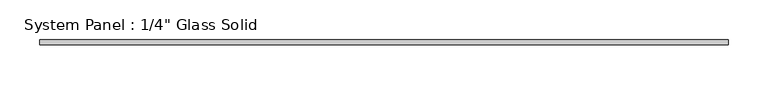
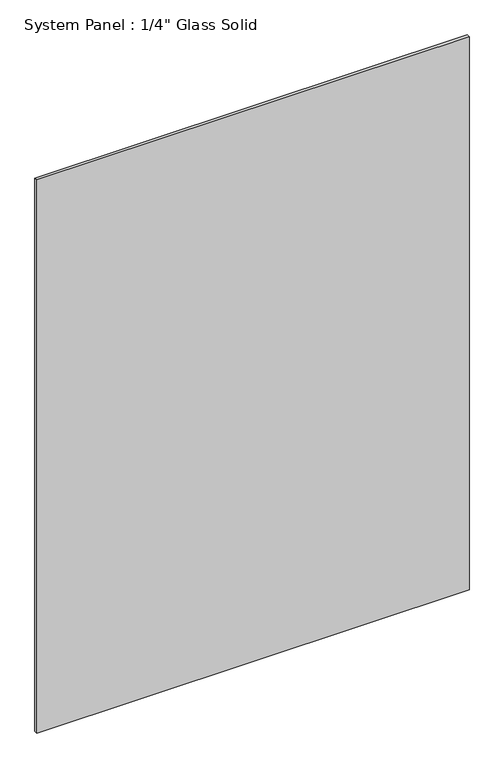
"""IFC4 building model written with IfcOpenShell, lengths in millimetres: plate geometry."""

from ifc_helpers import new_model, si_unit, origin, origin_with_axes, place, context, project, spatial, polyline, outline, extrude, source, transform, mapped, element, save


def plate_0a640a73(model_context):
    return source(origin(), model_context, "Body", "SweptSolid", [
        extrude(outline(polyline([(433.3883852, -3.175), (-433.3883852, -3.175), (-433.3883852, 3.175), (433.3883852, 3.175), (433.3883852, -3.175)])), origin_with_axes(), (0.0, 0.0, 1.0), 1172.7344027),
    ])


if __name__ == "__main__":
    model = new_model("IFC4")
    model_context = context("Model", 3, world=origin())
    ifc_project = project(units=[si_unit("LENGTHUNIT", "METRE", prefix="MILLI")], contexts=[model_context])
    site = spatial("IfcSite", under=ifc_project)
    building = spatial("IfcBuilding", under=site)
    placement = place(None, origin())
    plate_shape = plate_0a640a73(model_context)
    element("IfcPlate", 1, ObjectType="System Panel : 1/4\" Glass Solid", at=placement, inside=building, context=model_context, shape_type="MappedRepresentation", body=[
        mapped(plate_shape, transform((0.0, 0.0, 0.0), x_axis=(1.0, 0.0, 0.0), y_axis=(0.0, 1.0, 0.0), z_axis=(0.0, 0.0, 1.0))),
    ])
    save(model, "model.ifc")
